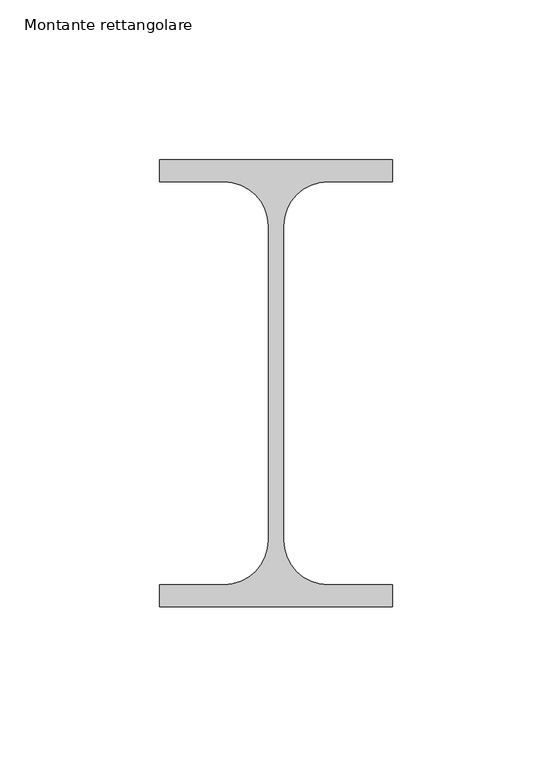
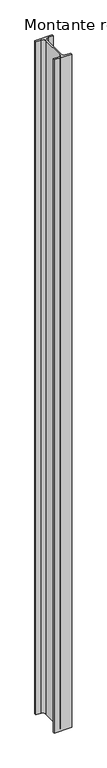
"""IFC4 building model written with IfcOpenShell, lengths in millimetres: member geometry, Montante rettangolare."""

from ifc_helpers import new_model, si_unit, point, frame, frame_2d, origin, place, context, project, spatial, polyline, circle_curve, trimmed, segment, composite_curve, outline, extrude, source, transform, mapped, element, save


def montante_rettangolare_0b9e59e2(model_context):
    return source(origin(), model_context, "Body", "SweptSolid", [
        extrude(outline(composite_curve([segment(polyline([(-36.5, -13.1), (-16.25, -13.1)]), True, "CONTINUOUS"), segment(trimmed(circle_curve(frame_2d((-16.25, 0.8)), 13.9), [point((-16.25, -13.1))], [point((-2.35, 0.8))], True, "CARTESIAN"), True, "CONTINUOUS"), segment(polyline([(-2.35, 0.8), (-2.35, 99.2)]), True, "CONTINUOUS"), segment(trimmed(circle_curve(frame_2d((-16.25, 99.2)), 13.9), [point((-2.35, 99.2))], [point((-16.25, 113.1))], True, "CARTESIAN"), True, "CONTINUOUS"), segment(polyline([(-16.25, 113.1), (-36.5, 113.1), (-36.5, 120.0), (36.5, 120.0), (36.5, 113.1), (16.25, 113.1)]), True, "CONTINUOUS"), segment(trimmed(circle_curve(frame_2d((16.25, 99.2)), 13.9), [point((16.25, 113.1))], [point((2.35, 99.2))], True, "CARTESIAN"), True, "CONTINUOUS"), segment(polyline([(2.35, 99.2), (2.35, 0.8)]), True, "CONTINUOUS"), segment(trimmed(circle_curve(frame_2d((16.25, 0.8)), 13.9), [point((2.35, 0.8))], [point((16.25, -13.1))], True, "CARTESIAN"), True, "CONTINUOUS"), segment(polyline([(16.25, -13.1), (36.5, -13.1), (36.5, -20.0), (-36.5, -20.0), (-36.5, -13.1)]), True, "CONTINUOUS")], self_intersect=False)), frame((0.0, 0.0, -2973.6097447), z_axis=(0.0, 0.0, 1.0), x_axis=(1.0, 0.0, 0.0)), (0.0, 0.0, 1.0), 2973.6097447),
    ])


if __name__ == "__main__":
    model = new_model("IFC4")
    model_context = context("Model", 3, world=origin())
    ifc_project = project(units=[si_unit("LENGTHUNIT", "METRE", prefix="MILLI")], contexts=[model_context])
    site = spatial("IfcSite", under=ifc_project)
    building = spatial("IfcBuilding", under=site)
    placement = place(None, origin())
    montante_rettangolare_shape = montante_rettangolare_0b9e59e2(model_context)
    element("IfcMember", 1, ObjectType="Montante rettangolare", at=placement, inside=building, context=model_context, shape_type="MappedRepresentation", body=[
        mapped(montante_rettangolare_shape, transform((0.0, 0.0, 0.0), x_axis=(1.0, 0.0, 0.0), y_axis=(0.0, 1.0, 0.0), z_axis=(0.0, 0.0, 1.0))),
    ])
    save(model, "model.ifc")
